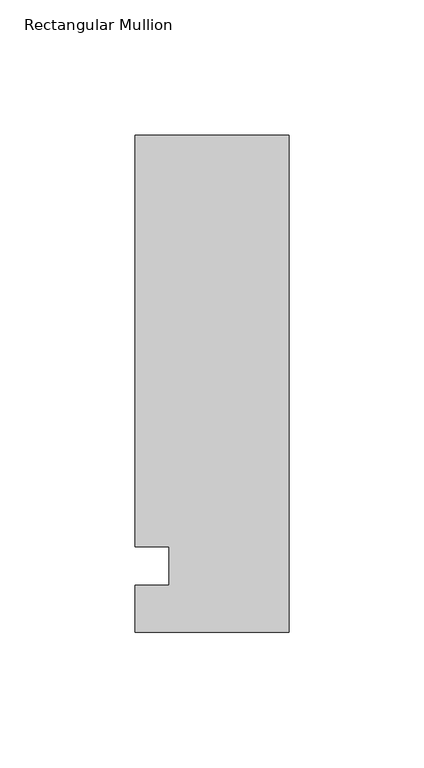
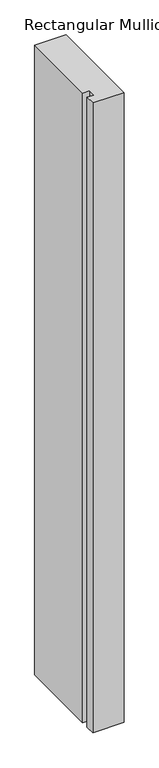
"""IFC4 building model written with IfcOpenShell, lengths in millimetres: member geometry, Rectangular Mullion."""

from ifc_helpers import new_model, si_unit, frame, origin, place, context, project, spatial, polyline, outline, extrude, source, transform, mapped, element, save


def rectangular_mullion_d883f3bb(model_context):
    return source(origin(), model_context, "Body", "SweptSolid", [
        extrude(outline(polyline([(32.9094027, 159.54375), (32.9094027, -24.60625), (-24.2405973, -24.60625), (-24.2405973, -7.14375), (-11.5405973, -7.14375), (-11.5405973, 7.14375), (-24.2405973, 7.14375), (-24.2405973, 159.54375), (32.9094027, 159.54375)])), frame((0.0, 0.0, -1219.2), z_axis=(0.0, 0.0, 1.0), x_axis=(1.0, 0.0, 0.0)), (0.0, 0.0, 1.0), 1219.2),
    ])


if __name__ == "__main__":
    model = new_model("IFC4")
    model_context = context("Model", 3, world=origin())
    ifc_project = project(units=[si_unit("LENGTHUNIT", "METRE", prefix="MILLI")], contexts=[model_context])
    site = spatial("IfcSite", under=ifc_project)
    building = spatial("IfcBuilding", under=site)
    placement = place(None, origin())
    rectangular_mullion_shape = rectangular_mullion_d883f3bb(model_context)
    element("IfcMember", 1, ObjectType="Rectangular Mullion", at=placement, inside=building, context=model_context, shape_type="MappedRepresentation", body=[
        mapped(rectangular_mullion_shape, transform((0.0, 0.0, 0.0), x_axis=(1.0, 0.0, 0.0), y_axis=(0.0, 1.0, 0.0), z_axis=(0.0, 0.0, 1.0))),
    ])
    save(model, "model.ifc")
